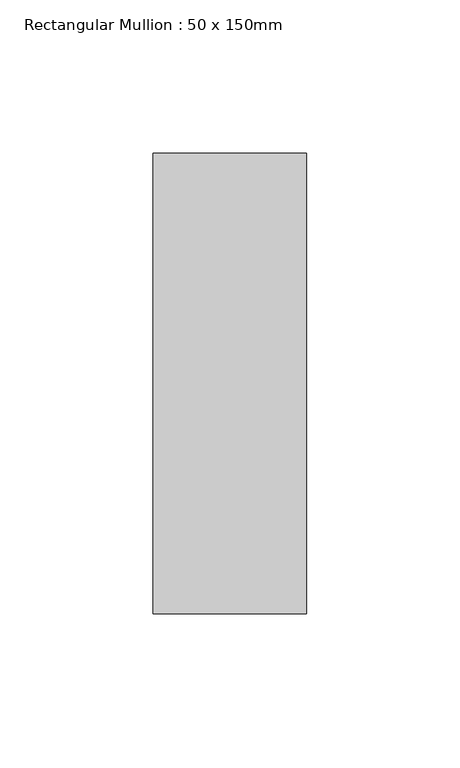
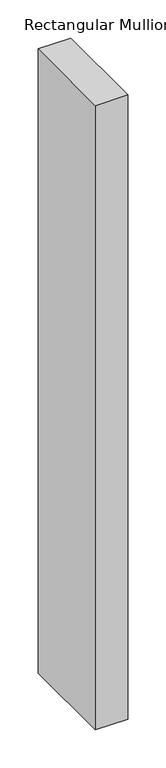
"""IFC4 building model written with IfcOpenShell, lengths in millimetres: member geometry, Rectangular Mullion : 50 x 150mm."""

from ifc_helpers import new_model, si_unit, frame, origin, place, context, project, spatial, polyline, outline, extrude, source, transform, mapped, element, save


def rectangular_mullion_50_x_150mm_16e211d6(model_context):
    return source(origin(), model_context, "Body", "SweptSolid", [
        extrude(outline(polyline([(25.0, 75.0), (25.0, -75.0), (-25.0, -75.0), (-25.0, 75.0), (25.0, 75.0)])), frame((0.0, 0.0, -1003.0), z_axis=(0.0, 0.0, 1.0), x_axis=(1.0, 0.0, 0.0)), (0.0, 0.0, 1.0), 1003.0),
    ])


if __name__ == "__main__":
    model = new_model("IFC4")
    model_context = context("Model", 3, world=origin())
    ifc_project = project(units=[si_unit("LENGTHUNIT", "METRE", prefix="MILLI")], contexts=[model_context])
    site = spatial("IfcSite", under=ifc_project)
    building = spatial("IfcBuilding", under=site)
    placement = place(None, origin())
    rectangular_mullion_50_x_150mm_shape = rectangular_mullion_50_x_150mm_16e211d6(model_context)
    element("IfcMember", 1, ObjectType="Rectangular Mullion : 50 x 150mm", at=placement, inside=building, context=model_context, shape_type="MappedRepresentation", body=[
        mapped(rectangular_mullion_50_x_150mm_shape, transform((0.0, 0.0, 0.0), x_axis=(1.0, 0.0, 0.0), y_axis=(0.0, 1.0, 0.0), z_axis=(0.0, 0.0, 1.0))),
    ])
    save(model, "model.ifc")
